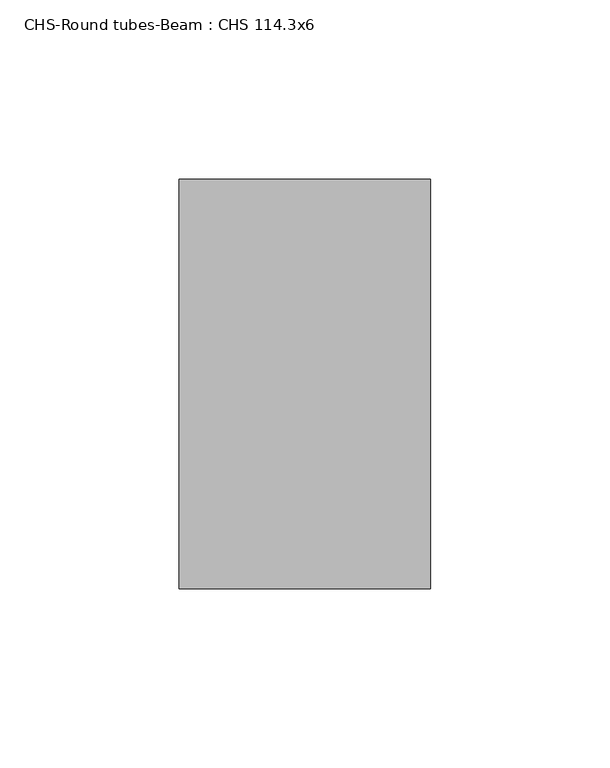
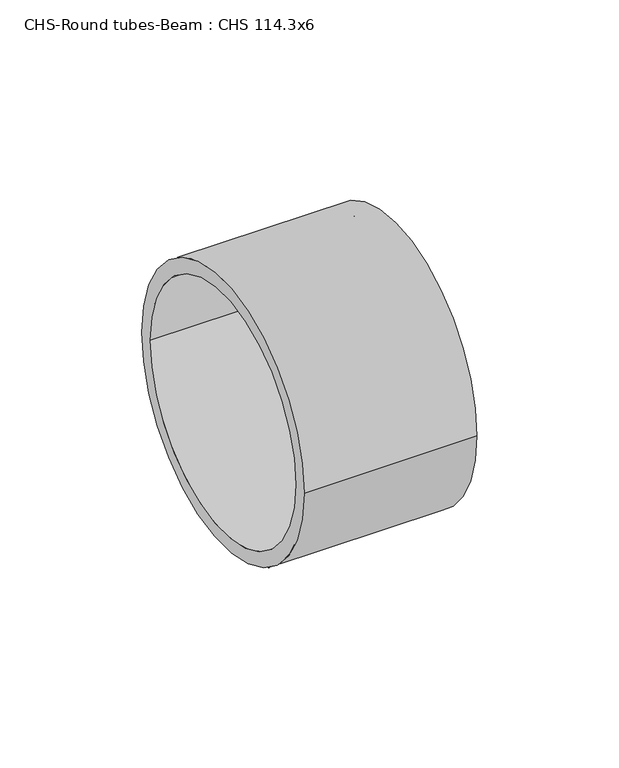
"""IFC4 building model written with IfcOpenShell, lengths in millimetres: beam geometry, CHS-Round tubes-Beam : CHS 114.3x6."""

from ifc_helpers import new_model, si_unit, point, frame, origin, origin_2d, place, context, project, spatial, circle_curve, trimmed, segment, composite_curve, outline, extrude, source, transform, mapped, element, save


def chs_round_tubes_beam_chs_114_3x6_df33631e(model_context):
    return source(origin(), model_context, "Body", "SweptSolid", [
        extrude(outline(composite_curve([segment(trimmed(circle_curve(origin_2d(), 57.15), [point((-57.15, 0.0))], [point((57.15, 0.0))], False, "CARTESIAN"), True, "CONTINUOUS"), segment(trimmed(circle_curve(origin_2d(), 57.15), [point((57.15, 0.0))], [point((-57.15, 0.0))], False, "CARTESIAN"), True, "CONTINUOUS")], self_intersect=False), holes=[composite_curve([segment(trimmed(circle_curve(origin_2d(), 51.15), [point((-51.15, 0.0))], [point((51.15, 0.0))], True, "CARTESIAN"), True, "CONTINUOUS"), segment(trimmed(circle_curve(origin_2d(), 51.15), [point((51.15, 0.0))], [point((-51.15, 0.0))], True, "CARTESIAN"), True, "CONTINUOUS")], self_intersect=False)]), frame((114.2631766, 0.0, 0.0), z_axis=(1.0, 0.0, 0.0), x_axis=(0.0, 1.0, 0.0)), (0.0, 0.0, 1.0), 70.2741941),
    ])


if __name__ == "__main__":
    model = new_model("IFC4")
    model_context = context("Model", 3, world=origin())
    ifc_project = project(units=[si_unit("LENGTHUNIT", "METRE", prefix="MILLI")], contexts=[model_context])
    site = spatial("IfcSite", under=ifc_project)
    building = spatial("IfcBuilding", under=site)
    placement = place(None, origin())
    chs_round_tubes_beam_chs_114_3x6_shape = chs_round_tubes_beam_chs_114_3x6_df33631e(model_context)
    element("IfcBeam", 1, ObjectType="CHS-Round tubes-Beam : CHS 114.3x6", at=placement, inside=building, context=model_context, shape_type="MappedRepresentation", body=[
        mapped(chs_round_tubes_beam_chs_114_3x6_shape, transform((0.0, 0.0, 0.0), x_axis=(1.0, 0.0, 0.0), y_axis=(0.0, 1.0, 0.0), z_axis=(0.0, 0.0, 1.0))),
    ])
    save(model, "model.ifc")
